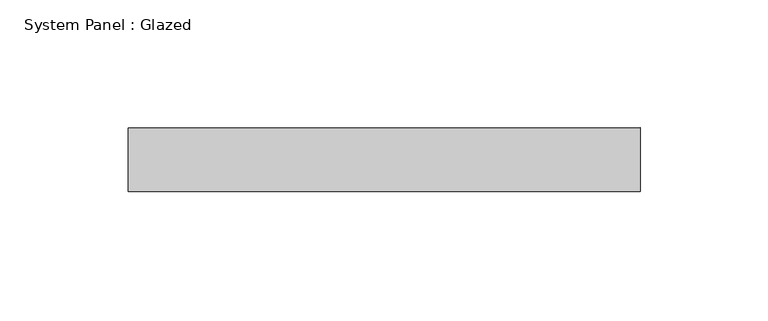
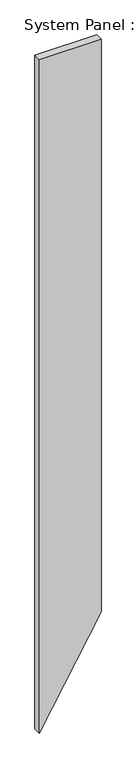
"""IFC4 building model written with IfcOpenShell, lengths in millimetres: plate geometry, System Panel : Glazed."""

from ifc_helpers import new_model, si_unit, frame, origin, place, context, project, spatial, polyline, outline, extrude, source, transform, mapped, element, save


def system_panel_glazed_57783979(model_context):
    return source(origin(), model_context, "Body", "SweptSolid", [
        extrude(outline(polyline([(0.0, -100.0), (346.4101615, 100.0), (2307.1796764, 100.0), (2307.1796764, -100.0), (0.0, -100.0)])), frame((0.0, 24.5, 0.0), z_axis=(0.0, 1.0, 0.0), x_axis=(0.0, 0.0, 1.0)), (0.0, 0.0, 1.0), 25.0),
    ])


if __name__ == "__main__":
    model = new_model("IFC4")
    model_context = context("Model", 3, world=origin())
    ifc_project = project(units=[si_unit("LENGTHUNIT", "METRE", prefix="MILLI")], contexts=[model_context])
    site = spatial("IfcSite", under=ifc_project)
    building = spatial("IfcBuilding", under=site)
    placement = place(None, origin())
    system_panel_glazed_shape = system_panel_glazed_57783979(model_context)
    element("IfcPlate", 1, ObjectType="System Panel : Glazed", at=placement, inside=building, context=model_context, shape_type="MappedRepresentation", body=[
        mapped(system_panel_glazed_shape, transform((0.0, 0.0, 0.0), x_axis=(1.0, 0.0, 0.0), y_axis=(0.0, 1.0, 0.0), z_axis=(0.0, 0.0, 1.0))),
    ])
    save(model, "model.ifc")
